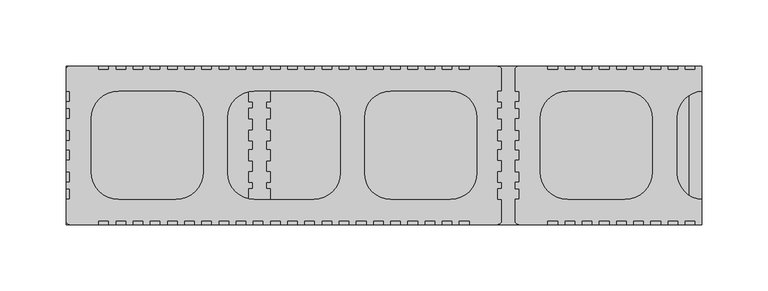
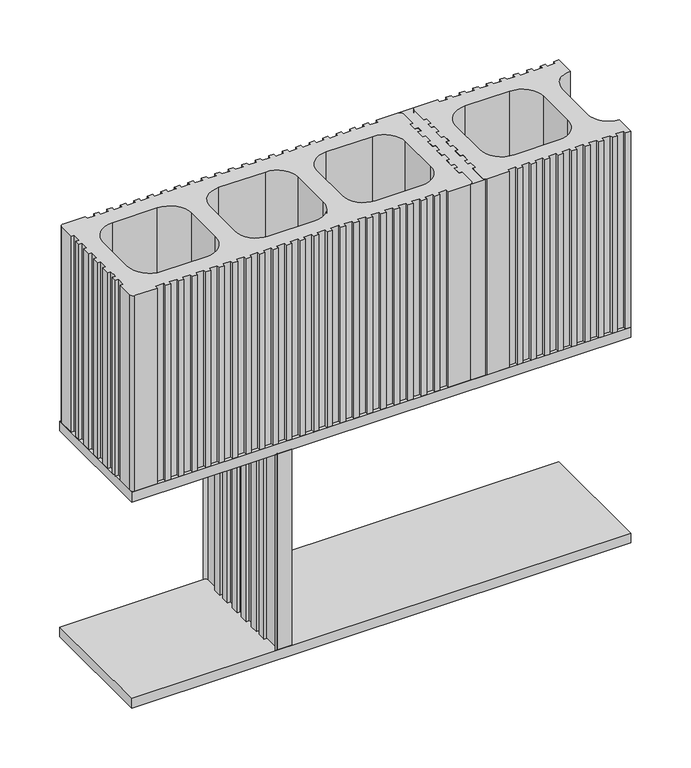
"""IFC4 building model written with IfcOpenShell, lengths in millimetres: plate geometry."""

from ifc_helpers import new_model, si_unit, point, frame, frame_2d, origin, place, context, project, spatial, polyline, circle_curve, trimmed, segment, composite_curve, outline, extrude, source, transform, mapped, element, save
from ifc_brep_helpers import plane_surface, revolved_surface, advanced_brep


def plate_32351cb7(model_context):
    return source(origin(), model_context, "Body", "SolidModel", [
        extrude(outline(composite_curve([segment(polyline([(114.5016312, 59.9999799), (114.5016312, 56.9999702), (122.5016565, 56.9999702), (122.5016565, 59.9999799), (127.5016753, 59.9999799), (127.5016753, 56.9999702), (135.5016988, 56.9999702), (135.5016988, 59.9999799), (140.5017176, 59.9999799), (140.5017176, 56.9999702), (148.5017411, 56.9999702), (148.5017411, 59.9999799), (153.5017599, 59.9999799), (153.5017599, 56.9999702), (161.5017871, 56.9999702), (161.5017871, 59.9999799), (166.5017985, 59.9999799), (166.5017985, 56.9999702), (174.5018256, 56.9999702), (174.5018256, 59.9999799), (179.5018445, 59.9999799), (179.5018445, 56.9999702), (187.5018642, 56.9999702), (187.5018642, 59.9999799), (192.5018831, 59.9999799), (192.5018831, 56.9999702), (200.5019102, 56.9999702), (200.5019102, 59.9999799), (205.5019291, 59.9999799), (205.5019291, 56.9999702), (213.5019488, 56.9999702), (213.5019488, 59.9999799), (218.5019676, 59.9999799), (218.5019676, 56.9999702), (226.5019948, 56.9999702), (226.5019948, 59.9999799), (231.5020062, 59.9999799), (231.5020062, 40.9749658)]), True, "CONTINUOUS"), segment(trimmed(circle_curve(frame_2d((232.5019775, 20.9999152)), 20.0000648), [point((231.5020062, 40.9749658))], [point((212.5019127, 20.9999152))], True, "CARTESIAN"), True, "CONTINUOUS"), segment(polyline([(212.5019127, 20.9999152), (212.5019127, -21.0003405)]), True, "CONTINUOUS"), segment(trimmed(circle_curve(frame_2d((232.5019775, -21.0003405)), 20.0000648), [point((212.5019127, -21.0003405))], [point((231.5020062, -40.9753911))], True, "CARTESIAN"), True, "CONTINUOUS"), segment(polyline([(231.5020062, -40.9753911), (231.5020062, -60.0004053), (226.5019948, -60.0004053), (226.5019948, -57.0003955), (218.5019677, -57.0003955), (218.5019677, -60.0004053), (213.5019488, -60.0004053), (213.5019488, -57.0003955), (205.5019291, -57.0003955), (205.5019291, -60.0004053), (200.5019103, -60.0004053), (200.5019103, -57.0003955), (192.5018831, -57.0003955), (192.5018831, -60.0004053), (187.5018642, -60.0004053), (187.5018642, -57.0003955), (179.5018445, -57.0003955), (179.5018445, -60.0004053), (174.5018257, -60.0004053), (174.5018257, -57.0003955), (166.5017985, -57.0003955), (166.5017985, -60.0004053), (161.5017871, -60.0004053), (161.5017871, -57.0003955), (153.5017599, -57.0003955), (153.5017599, -60.0004053), (148.5017411, -60.0004053), (148.5017411, -57.0003955), (140.5017177, -57.0003955), (140.5017177, -60.0004053), (135.5016988, -60.0004053), (135.5016988, -57.0003955), (127.5016754, -57.0003955), (127.5016754, -60.0004053), (122.5016565, -60.0004053), (122.5016565, -57.0003955), (114.5016312, -57.0003955), (114.5016312, -60.0004053), (93.0015578, -60.0004053)]), True, "CONTINUOUS"), segment(trimmed(circle_curve(frame_2d((93.0015578, -57.0004001)), 3.0000051), [point((93.0015578, -60.0004053))], [point((90.0015527, -57.0004001))], False, "CARTESIAN"), True, "CONTINUOUS"), segment(polyline([(90.0015527, -57.0004001), (90.0015527, -41.00035), (93.0015624, -41.00035), (93.0015624, -33.0003229), (90.0015527, -33.0003229), (90.0015527, -28.000304), (93.0015624, -28.000304), (93.0015624, -20.0002769), (90.0015527, -20.0002769), (90.0015527, -11.5002545), (93.0015624, -11.5002545), (93.0015624, -3.5002273), (90.0015527, -3.5002273), (90.0015527, 3.4997983), (93.0015624, 3.4997983), (93.0015624, 11.4998217), (90.0015527, 11.4998217), (90.0015527, 19.9998515), (93.0015624, 19.9998515), (93.0015624, 27.999875), (90.0015527, 27.999875), (90.0015527, 32.999892), (93.0015624, 32.999892), (93.0015624, 40.9999191), (90.0015527, 40.9999191), (90.0015527, 56.9999702)]), True, "CONTINUOUS"), segment(trimmed(circle_curve(frame_2d((93.0015624, 56.9999702)), 3.0000097), [point((90.0015527, 56.9999702))], [point((93.0015624, 59.9999799))], False, "CARTESIAN"), True, "CONTINUOUS"), segment(polyline([(93.0015624, 59.9999799), (114.5016312, 59.9999799)]), True, "CONTINUOUS")], self_intersect=False), holes=[composite_curve([segment(polyline([(109.0015527, 19.9999799), (109.0015527, -20.0004053)]), True, "CONTINUOUS"), segment(trimmed(circle_curve(frame_2d((130.0015527, -20.0004053)), 21.0), [point((109.0015527, -20.0004053))], [point((130.0015527, -41.0004053))], True, "CARTESIAN"), True, "CONTINUOUS"), segment(polyline([(130.0015527, -41.0004053), (173.0019047, -41.0004053)]), True, "CONTINUOUS"), segment(trimmed(circle_curve(frame_2d((173.0019047, -20.0004053)), 21.0), [point((173.0019047, -41.0004053))], [point((194.0019047, -20.0004053))], True, "CARTESIAN"), True, "CONTINUOUS"), segment(polyline([(194.0019047, -20.0004053), (194.0019047, 19.9999799)]), True, "CONTINUOUS"), segment(trimmed(circle_curve(frame_2d((173.0019047, 19.9999799)), 21.0), [point((194.0019047, 19.9999799))], [point((173.0019047, 40.9999799))], True, "CARTESIAN"), True, "CONTINUOUS"), segment(polyline([(173.0019047, 40.9999799), (130.0015527, 40.9999799)]), True, "CONTINUOUS"), segment(trimmed(circle_curve(frame_2d((130.0015527, 19.9999799)), 21.0), [point((130.0015527, 40.9999799))], [point((109.0015527, 19.9999799))], True, "CARTESIAN"), True, "CONTINUOUS")], self_intersect=False)]), frame((0.0, 0.0, 210.0), z_axis=(0.0, 0.0, 1.0), x_axis=(1.0, 0.0, 0.0)), (0.0, 0.0, 1.0), 200.0),
        extrude(outline(polyline([(231.5009276, 59.9998788), (231.5009276, -59.9998815), (-249.9995197, -59.9998815), (-249.9995197, 59.9998788), (231.5009276, 59.9998788)])), frame((0.0, 0.0, -10.0), z_axis=(0.0, 0.0, 1.0), x_axis=(1.0, 0.0, 0.0)), (0.0, 0.0, 1.0), 10.0),
        advanced_brep(
        [(-108.5000292, 40.9999178, 200.0), (-111.5000441, 40.9999178, 200.0), (-111.5000441, 32.9999326, 200.0), (-108.5000292, 32.9999326, 200.0), (-108.5000292, 27.9999419, 200.0), (-111.5000441, 27.9999419, 200.0), (-111.5000441, 19.9999605, 200.0), (-108.499908, 19.9999605, 200.0), (-108.499908, 11.5003508, 200.0), (-111.4999177, 11.5003508, 200.0), (-111.4999177, 3.5003274, 200.0), (-108.499908, 3.5003274, 200.0), (-108.499908, -3.4996982, 200.0), (-111.4999177, -3.4996982, 200.0), (-111.4999177, -11.4997254, 200.0), (-108.499908, -11.4997254, 200.0), (-108.499908, -19.9999578, 200.0), (-111.5000441, -19.9999578, 200.0), (-111.5000441, -27.999943, 200.0), (-108.5000292, -27.999943, 200.0), (-108.5000292, -32.9999355, 200.0), (-111.5000441, -32.9999355, 200.0), (-111.5000441, -40.9999207, 200.0), (-108.5000292, -40.9999207, 200.0), (-108.5000292, -56.9998835, 200.0), (-111.5000441, -59.9998761, 200.0), (-95.5000143, -59.9998761, 200.0), (-98.5000292, -56.9998835, 200.0), (-98.5000292, -40.9999207, 200.0), (-95.5000143, -40.9999207, 200.0), (-95.5000143, -32.9999355, 200.0), (-98.5000292, -32.9999355, 200.0), (-98.5000292, -27.999943, 200.0), (-95.5000143, -27.999943, 200.0), (-95.5000143, -19.9999578, 200.0), (-98.5001448, -19.9999578, 200.0), (-98.5001448, -11.4997254, 200.0), (-95.5001351, -11.4997254, 200.0), (-95.5001351, -3.4996982, 200.0), (-98.5001448, -3.4996982, 200.0), (-98.5001448, 3.5003274, 200.0), (-95.5001351, 3.5003274, 200.0), (-95.5001351, 11.5003509, 200.0), (-98.5001448, 11.5003509, 200.0), (-98.5001448, 19.9999605, 200.0), (-95.5000143, 19.9999605, 200.0), (-95.5000143, 28.0000895, 200.0), (-98.5000292, 28.0000895, 200.0), (-98.5000292, 32.9999326, 200.0), (-95.5000143, 32.9999326, 200.0), (-95.5000143, 40.9999178, 200.0), (-98.5000292, 40.9999178, 200.0), (-98.5000292, 56.9998835, 200.0), (-95.5001414, 59.9998788, 200.0), (-111.499917, 59.9998788, 200.0), (-108.5000292, 56.9998835, 200.0), (-108.5000292, 40.9999178, 0.0), (-108.5000292, 56.9998835, 0.0), (-111.499917, 59.9998788, 0.0), (-95.5001414, 59.9998788, 0.0), (-98.5000292, 56.9998835, 0.0), (-98.5000292, 40.9999178, 0.0), (-95.5000143, 40.9999178, 0.0), (-95.5000143, 32.9999326, 0.0), (-98.5000292, 32.9999326, 0.0), (-98.5000292, 28.0000895, 0.0), (-95.5000143, 28.0000895, 0.0), (-95.5000143, 19.9999605, 0.0), (-98.5001448, 19.9999605, 0.0), (-98.5001448, 11.5003509, 0.0), (-95.5001351, 11.5003509, 0.0), (-95.5001351, 3.5003274, 0.0), (-98.5001448, 3.5003274, 0.0), (-98.5001448, -3.4996982, 0.0), (-95.5001351, -3.4996982, 0.0), (-95.5001351, -11.4997254, 0.0), (-98.5001448, -11.4997254, 0.0), (-98.5001448, -19.9999578, 0.0), (-95.5000143, -19.9999578, 0.0), (-95.5000143, -27.999943, 0.0), (-98.5000292, -27.999943, 0.0), (-98.5000292, -32.9999355, 0.0), (-95.5000143, -32.9999355, 0.0), (-95.5000143, -40.9999207, 0.0), (-98.5000292, -40.9999207, 0.0), (-98.5000292, -56.9998835, 0.0), (-95.5000143, -59.9998761, 0.0), (-111.5000441, -59.9998761, 0.0), (-108.5000292, -56.9998835, 0.0), (-108.5000292, -40.9999207, 0.0), (-111.5000441, -40.9999207, 0.0), (-111.5000441, -32.9999355, 0.0), (-108.5000292, -32.9999355, 0.0), (-108.5000292, -27.999943, 0.0), (-111.5000441, -27.999943, 0.0), (-111.5000441, -19.9999578, 0.0), (-108.499908, -19.9999578, 0.0), (-108.499908, -11.4997254, 0.0), (-111.4999177, -11.4997254, 0.0), (-111.4999177, -3.4996982, 0.0), (-108.499908, -3.4996982, 0.0), (-108.499908, 3.5003274, 0.0), (-111.4999177, 3.5003274, 0.0), (-111.4999177, 11.5003508, 0.0), (-108.499908, 11.5003508, 0.0), (-108.499908, 19.9999605, 0.0), (-111.5000441, 19.9999605, 0.0), (-111.5000441, 27.9999419, 0.0), (-108.5000292, 27.9999419, 0.0), (-108.5000292, 32.9999326, 0.0), (-111.5000441, 32.9999326, 0.0), (-111.5000441, 40.9999178, 0.0)],
        [
            (0, 1),
            (1, 2),
            (2, 3),
            (3, 4),
            (4, 5),
            (5, 6),
            (6, 7),
            (7, 8),
            (8, 9),
            (9, 10),
            (10, 11),
            (11, 12),
            (12, 13),
            (13, 14),
            (14, 15),
            (15, 16),
            (16, 17),
            (17, 18),
            (18, 19),
            (19, 20),
            (20, 21),
            (21, 22),
            (22, 23),
            (23, 24),
            (24, 25, circle_curve(frame((-111.437997, -57.0619088, 200.0), z_axis=(0.0, 0.0, -1.0), x_axis=(1.0, 0.0, 0.0)), 2.9386225)),
            (25, 26),
            (26, 27, circle_curve(frame((-95.5620614, -57.0619088, 200.0), z_axis=(0.0, 0.0, -1.0), x_axis=(1.0, 0.0, 0.0)), 2.9386225)),
            (27, 28),
            (28, 29),
            (29, 30),
            (30, 31),
            (31, 32),
            (32, 33),
            (33, 34),
            (34, 35),
            (35, 36),
            (36, 37),
            (37, 38),
            (38, 39),
            (39, 40),
            (40, 41),
            (41, 42),
            (42, 43),
            (43, 44),
            (44, 45),
            (45, 46),
            (46, 47),
            (47, 48),
            (48, 49),
            (49, 50),
            (50, 51),
            (51, 52),
            (52, 53, circle_curve(frame((-95.5620614, 57.0619088, 200.0), z_axis=(0.0, 0.0, -1.0), x_axis=(1.0, 0.0, 0.0)), 2.9386225)),
            (53, 54),
            (54, 55, circle_curve(frame((-111.437997, 57.0619088, 200.0), z_axis=(0.0, 0.0, -1.0), x_axis=(1.0, 0.0, 0.0)), 2.9386225)),
            (55, 0),
            (56, 57),
            (57, 58, circle_curve(frame((-111.437997, 57.0619088, 0.0), z_axis=(0.0, 0.0, 1.0), x_axis=(1.0, 0.0, 0.0)), 2.9386225)),
            (58, 59),
            (59, 60, circle_curve(frame((-95.5620614, 57.0619088, 0.0), z_axis=(0.0, 0.0, 1.0), x_axis=(1.0, 0.0, 0.0)), 2.9386225)),
            (60, 61),
            (61, 62),
            (62, 63),
            (63, 64),
            (64, 65),
            (65, 66),
            (66, 67),
            (67, 68),
            (68, 69),
            (69, 70),
            (70, 71),
            (71, 72),
            (72, 73),
            (73, 74),
            (74, 75),
            (75, 76),
            (76, 77),
            (77, 78),
            (78, 79),
            (79, 80),
            (80, 81),
            (81, 82),
            (82, 83),
            (83, 84),
            (84, 85),
            (85, 86, circle_curve(frame((-95.5620614, -57.0619088, 0.0), z_axis=(0.0, 0.0, 1.0), x_axis=(1.0, 0.0, 0.0)), 2.9386225)),
            (86, 87),
            (87, 88, circle_curve(frame((-111.437997, -57.0619088, 0.0), z_axis=(0.0, 0.0, 1.0), x_axis=(1.0, 0.0, 0.0)), 2.9386225)),
            (88, 89),
            (89, 90),
            (90, 91),
            (91, 92),
            (92, 93),
            (93, 94),
            (94, 95),
            (95, 96),
            (96, 97),
            (97, 98),
            (98, 99),
            (99, 100),
            (100, 101),
            (101, 102),
            (102, 103),
            (103, 104),
            (104, 105),
            (105, 106),
            (106, 107),
            (107, 108),
            (108, 109),
            (109, 110),
            (110, 111),
            (111, 56),
            (55, 57),
            (56, 0),
            (54, 58),
            (53, 59),
            (52, 60),
            (51, 61),
            (27, 85),
            (84, 28),
            (26, 86),
            (25, 87),
            (24, 88),
            (23, 89),
            (50, 62),
            (49, 63),
            (48, 64),
            (47, 65),
            (46, 66),
            (45, 67),
            (44, 68),
            (34, 78),
            (77, 35),
            (33, 79),
            (32, 80),
            (31, 81),
            (30, 82),
            (29, 83),
            (22, 90),
            (21, 91),
            (20, 92),
            (19, 93),
            (18, 94),
            (17, 95),
            (16, 96),
            (6, 106),
            (105, 7),
            (5, 107),
            (4, 108),
            (3, 109),
            (2, 110),
            (1, 111),
            (43, 69),
            (42, 70),
            (41, 71),
            (40, 72),
            (39, 73),
            (38, 74),
            (37, 75),
            (36, 76),
            (15, 97),
            (14, 98),
            (13, 99),
            (12, 100),
            (11, 101),
            (10, 102),
            (9, 103),
            (8, 104),
        ],
        [
            plane_surface(frame((-108.5000292, 56.9998835, 200.0), z_axis=(0.0, 0.0, 1.0), x_axis=(0.0, 1.0, 0.0))),
            plane_surface(frame((-108.5000292, 56.9998835, 0.0), z_axis=(0.0, 0.0, -1.0), x_axis=(0.0, -1.0, 0.0))),
            plane_surface(frame((-108.5000292, 40.9999178, 200.0), z_axis=(-1.0, 0.0, 0.0), x_axis=(0.0, 0.0, -1.0))),
            revolved_surface(polyline([(-108.4993745, 57.0619088, 0.0), (-108.4993745, 57.0619088, 200.0)]), (-111.437997, 57.0619088, 0.0), (0.0, 0.0, -1.0)),
            plane_surface(frame((-111.499917, 59.9998788, 200.0), z_axis=(0.0, 1.0, 0.0), x_axis=(0.0, 0.0, -1.0))),
            revolved_surface(polyline([(-92.62343890000001, 57.0619088, 0.0), (-92.62343890000001, 57.0619088, 200.0)]), (-95.5620614, 57.0619088, 0.0), (0.0, 0.0, -1.0)),
            plane_surface(frame((-98.5000292, 56.9998835, 200.0), z_axis=(1.0, 0.0, 0.0), x_axis=(0.0, 0.0, -1.0))),
            plane_surface(frame((-98.5000292, -40.9999207, 200.0), z_axis=(1.0, 6.314272111635997e-12, 0.0), x_axis=(0.0, 0.0, -1.0))),
            revolved_surface(polyline([(-92.62343890000001, -57.0619088, 0.0), (-92.62343890000001, -57.0619088, 200.0)]), (-95.5620614, -57.0619088, 0.0), (0.0, 0.0, -1.0)),
            plane_surface(frame((-95.5000143, -59.9998761, 200.0), z_axis=(0.0, -1.0, 0.0), x_axis=(0.0, 0.0, -1.0))),
            revolved_surface(polyline([(-108.4993745, -57.0619088, 0.0), (-108.4993745, -57.0619088, 200.0)]), (-111.437997, -57.0619088, 0.0), (0.0, 0.0, -1.0)),
            plane_surface(frame((-108.5000292, -56.9998835, 200.0), z_axis=(-1.0, 0.0, 0.0), x_axis=(0.0, 0.0, -1.0))),
            plane_surface(frame((-98.5000292, 40.9999178, 200.0), z_axis=(0.0, 1.0, 0.0), x_axis=(0.0, 0.0, -1.0))),
            plane_surface(frame((-95.5000143, 40.9999178, 200.0), z_axis=(1.0, 0.0, 0.0), x_axis=(0.0, 0.0, -1.0))),
            plane_surface(frame((-95.5000143, 32.9999326, 200.0), z_axis=(0.0, -1.0, 0.0), x_axis=(0.0, 0.0, -1.0))),
            plane_surface(frame((-98.5000292, 32.9999326, 200.0), z_axis=(1.0, 0.0, 0.0), x_axis=(0.0, 0.0, -1.0))),
            plane_surface(frame((-98.5000292, 28.0000895, 200.0), z_axis=(0.0, 1.0, 0.0), x_axis=(0.0, 0.0, -1.0))),
            plane_surface(frame((-95.5000143, 28.0000895, 200.0), z_axis=(1.0, 0.0, 0.0), x_axis=(0.0, 0.0, -1.0))),
            plane_surface(frame((-95.5000143, 19.9999605, 200.0), z_axis=(0.0, -1.0, 0.0), x_axis=(0.0, 0.0, -1.0))),
            plane_surface(frame((-98.5001448, -19.9999578, 200.0), z_axis=(0.0, 1.0, 0.0), x_axis=(0.0, 0.0, -1.0))),
            plane_surface(frame((-95.5000143, -19.9999578, 200.0), z_axis=(1.0, 0.0, 0.0), x_axis=(0.0, 0.0, -1.0))),
            plane_surface(frame((-95.5000143, -27.999943, 200.0), z_axis=(0.0, -1.0, 0.0), x_axis=(0.0, 0.0, -1.0))),
            plane_surface(frame((-98.5000292, -27.999943, 200.0), z_axis=(1.0, 0.0, 0.0), x_axis=(0.0, 0.0, -1.0))),
            plane_surface(frame((-98.5000292, -32.9999355, 200.0), z_axis=(0.0, 1.0, 0.0), x_axis=(0.0, 0.0, -1.0))),
            plane_surface(frame((-95.5000143, -32.9999355, 200.0), z_axis=(1.0, 0.0, 0.0), x_axis=(0.0, 0.0, -1.0))),
            plane_surface(frame((-95.5000143, -40.9999207, 200.0), z_axis=(0.0, -1.0, 0.0), x_axis=(0.0, 0.0, -1.0))),
            plane_surface(frame((-108.5000292, -40.9999207, 200.0), z_axis=(0.0, -1.0, 0.0), x_axis=(0.0, 0.0, -1.0))),
            plane_surface(frame((-111.5000441, -40.9999207, 200.0), z_axis=(-1.0, 0.0, 0.0), x_axis=(0.0, 0.0, -1.0))),
            plane_surface(frame((-111.5000441, -32.9999355, 200.0), z_axis=(0.0, 1.0, 0.0), x_axis=(0.0, 0.0, -1.0))),
            plane_surface(frame((-108.5000292, -32.9999355, 200.0), z_axis=(-1.0, 0.0, 0.0), x_axis=(0.0, 0.0, -1.0))),
            plane_surface(frame((-108.5000292, -27.999943, 200.0), z_axis=(0.0, -1.0, 0.0), x_axis=(0.0, 0.0, -1.0))),
            plane_surface(frame((-111.5000441, -27.999943, 200.0), z_axis=(-1.0, 0.0, 0.0), x_axis=(0.0, 0.0, -1.0))),
            plane_surface(frame((-111.5000441, -19.9999578, 200.0), z_axis=(0.0, 1.0, 0.0), x_axis=(0.0, 0.0, -1.0))),
            plane_surface(frame((-108.499908, 19.9999605, 200.0), z_axis=(0.0, -1.0, 0.0), x_axis=(0.0, 0.0, -1.0))),
            plane_surface(frame((-111.5000441, 19.9999605, 200.0), z_axis=(-1.0, 0.0, 0.0), x_axis=(0.0, 0.0, -1.0))),
            plane_surface(frame((-111.5000441, 27.9999419, 200.0), z_axis=(0.0, 1.0, 0.0), x_axis=(0.0, 0.0, -1.0))),
            plane_surface(frame((-108.5000292, 27.9999419, 200.0), z_axis=(-1.0, 0.0, 0.0), x_axis=(0.0, 0.0, -1.0))),
            plane_surface(frame((-108.5000292, 32.9999326, 200.0), z_axis=(0.0, -1.0, 0.0), x_axis=(0.0, 0.0, -1.0))),
            plane_surface(frame((-111.5000441, 32.9999326, 200.0), z_axis=(-1.0, 0.0, 0.0), x_axis=(0.0, 0.0, -1.0))),
            plane_surface(frame((-111.5000441, 40.9999178, 200.0), z_axis=(0.0, 1.0, 0.0), x_axis=(0.0, 0.0, -1.0))),
            plane_surface(frame((-98.5001448, 19.9999605, 200.0), z_axis=(1.0, 0.0, 0.0), x_axis=(0.0, 0.0, -1.0))),
            plane_surface(frame((-98.5001448, 11.5003509, 200.0), z_axis=(0.0, 1.0, 0.0), x_axis=(0.0, 0.0, -1.0))),
            plane_surface(frame((-95.5001351, 11.5003509, 200.0), z_axis=(1.0, 0.0, 0.0), x_axis=(0.0, 0.0, -1.0))),
            plane_surface(frame((-95.5001351, 3.5003274, 200.0), z_axis=(0.0, -1.0, 0.0), x_axis=(0.0, 0.0, -1.0))),
            plane_surface(frame((-98.5001448, 3.5003274, 200.0), z_axis=(1.0, 0.0, 0.0), x_axis=(0.0, 0.0, -1.0))),
            plane_surface(frame((-98.5001448, -3.4996982, 200.0), z_axis=(0.0, 1.0, 0.0), x_axis=(0.0, 0.0, -1.0))),
            plane_surface(frame((-95.5001351, -3.4996982, 200.0), z_axis=(1.0, 0.0, 0.0), x_axis=(0.0, 0.0, -1.0))),
            plane_surface(frame((-95.5001351, -11.4997254, 200.0), z_axis=(0.0, -1.0, 0.0), x_axis=(0.0, 0.0, -1.0))),
            plane_surface(frame((-98.5001448, -11.4997254, 200.0), z_axis=(1.0, 0.0, 0.0), x_axis=(0.0, 0.0, -1.0))),
            plane_surface(frame((-108.499908, -19.9999578, 200.0), z_axis=(-1.0, 0.0, 0.0), x_axis=(0.0, 0.0, -1.0))),
            plane_surface(frame((-108.499908, -11.4997254, 200.0), z_axis=(0.0, -1.0, 0.0), x_axis=(0.0, 0.0, -1.0))),
            plane_surface(frame((-111.4999177, -11.4997254, 200.0), z_axis=(-1.0, 0.0, 0.0), x_axis=(0.0, 0.0, -1.0))),
            plane_surface(frame((-111.4999177, -3.4996982, 200.0), z_axis=(0.0, 1.0, 0.0), x_axis=(0.0, 0.0, -1.0))),
            plane_surface(frame((-108.499908, -3.4996982, 200.0), z_axis=(-1.0, 0.0, 0.0), x_axis=(0.0, 0.0, -1.0))),
            plane_surface(frame((-108.499908, 3.5003274, 200.0), z_axis=(0.0, -1.0, 0.0), x_axis=(0.0, 0.0, -1.0))),
            plane_surface(frame((-111.4999177, 3.5003274, 200.0), z_axis=(-1.0, 0.0, 0.0), x_axis=(0.0, 0.0, -1.0))),
            plane_surface(frame((-111.4999177, 11.5003508, 200.0), z_axis=(0.0, 1.0, 0.0), x_axis=(0.0, 0.0, -1.0))),
            plane_surface(frame((-108.499908, 11.5003508, 200.0), z_axis=(-1.0, 0.0, 0.0), x_axis=(0.0, 0.0, -1.0))),
        ],
        [
            (0, [[1, 2, 3, 4, 5, 6, 7, 8, 9, 10, 11, 12, 13, 14, 15, 16, 17, 18, 19, 20, 21, 22, 23, 24, 25, 26, 27, 28, 29, 30, 31, 32, 33, 34, 35, 36, 37, 38, 39, 40, 41, 42, 43, 44, 45, 46, 47, 48, 49, 50, 51, 52, 53, 54, 55, 56]]),
            (1, [[57, 58, 59, 60, 61, 62, 63, 64, 65, 66, 67, 68, 69, 70, 71, 72, 73, 74, 75, 76, 77, 78, 79, 80, 81, 82, 83, 84, 85, 86, 87, 88, 89, 90, 91, 92, 93, 94, 95, 96, 97, 98, 99, 100, 101, 102, 103, 104, 105, 106, 107, 108, 109, 110, 111, 112]]),
            (2, [[113, -57, 114, -56]]),
            (3, [[115, -58, -113, -55]]),
            (4, [[116, -59, -115, -54]]),
            (5, [[117, -60, -116, -53]]),
            (6, [[118, -61, -117, -52]]),
            (7, [[119, -85, 120, -28]]),
            (8, [[121, -86, -119, -27]]),
            (9, [[122, -87, -121, -26]]),
            (10, [[123, -88, -122, -25]]),
            (11, [[124, -89, -123, -24]]),
            (12, [[125, -62, -118, -51]]),
            (13, [[126, -63, -125, -50]]),
            (14, [[127, -64, -126, -49]]),
            (15, [[128, -65, -127, -48]]),
            (16, [[129, -66, -128, -47]]),
            (17, [[130, -67, -129, -46]]),
            (18, [[131, -68, -130, -45]]),
            (19, [[132, -78, 133, -35]]),
            (20, [[134, -79, -132, -34]]),
            (21, [[135, -80, -134, -33]]),
            (22, [[136, -81, -135, -32]]),
            (23, [[137, -82, -136, -31]]),
            (24, [[138, -83, -137, -30]]),
            (25, [[-120, -84, -138, -29]]),
            (26, [[139, -90, -124, -23]]),
            (27, [[140, -91, -139, -22]]),
            (28, [[141, -92, -140, -21]]),
            (29, [[142, -93, -141, -20]]),
            (30, [[143, -94, -142, -19]]),
            (31, [[144, -95, -143, -18]]),
            (32, [[145, -96, -144, -17]]),
            (33, [[146, -106, 147, -7]]),
            (34, [[148, -107, -146, -6]]),
            (35, [[149, -108, -148, -5]]),
            (36, [[150, -109, -149, -4]]),
            (37, [[151, -110, -150, -3]]),
            (38, [[152, -111, -151, -2]]),
            (39, [[-114, -112, -152, -1]]),
            (40, [[153, -69, -131, -44]]),
            (41, [[154, -70, -153, -43]]),
            (42, [[155, -71, -154, -42]]),
            (43, [[156, -72, -155, -41]]),
            (44, [[157, -73, -156, -40]]),
            (45, [[158, -74, -157, -39]]),
            (46, [[159, -75, -158, -38]]),
            (47, [[160, -76, -159, -37]]),
            (48, [[-133, -77, -160, -36]]),
            (49, [[161, -97, -145, -16]]),
            (50, [[162, -98, -161, -15]]),
            (51, [[163, -99, -162, -14]]),
            (52, [[164, -100, -163, -13]]),
            (53, [[165, -101, -164, -12]]),
            (54, [[166, -102, -165, -11]]),
            (55, [[167, -103, -166, -10]]),
            (56, [[168, -104, -167, -9]]),
            (57, [[-147, -105, -168, -8]]),
        ],
    ),
        extrude(outline(polyline([(-249.9995197, -59.9998801), (-249.9995197, 59.9998788), (231.5009276, 59.9998788), (231.5009276, -59.9998801), (-249.9995197, -59.9998801)]), holes=[polyline([(221.5009275, -44.9999121), (221.5009275, 44.9999108), (-239.9995197, 44.9999108), (-239.9995197, -44.9999121), (221.5009275, -44.9999121)])]), frame((0.0, 0.0, 200.0), z_axis=(0.0, 0.0, 1.0), x_axis=(1.0, 0.0, 0.0)), (0.0, 0.0, 1.0), 10.0),
        advanced_brep(
        [(89.9998399, 56.9998849, 410.0), (92.999792, 59.9998788, 410.0), (76.9998878, 59.9998788, 410.0), (79.9998399, 56.9998849, 410.0), (79.9998399, 40.9999191, 410.0), (76.999825, 40.9999191, 410.0), (76.999825, 32.999934, 410.0), (79.9998399, 32.999934, 410.0), (79.9998399, 27.9999433, 410.0), (76.999825, 27.9999433, 410.0), (76.999825, 19.9999618, 410.0), (80.0015527, 19.9999618, 410.0), (80.0015527, 11.4998217, 410.0), (77.0015429, 11.4998217, 410.0), (77.0015429, 3.4997983, 410.0), (80.0015527, 3.4997983, 410.0), (80.0015527, -3.5002273, 410.0), (77.0015429, -3.5002273, 410.0), (77.0015429, -11.5002545, 410.0), (80.0015527, -11.5002545, 410.0), (80.0015527, -19.9999565, 410.0), (76.999825, -19.9999565, 410.0), (76.999825, -27.9999416, 410.0), (79.9998399, -27.9999416, 410.0), (79.9998399, -32.9999342, 410.0), (76.999825, -32.9999342, 410.0), (76.999825, -40.9999193, 410.0), (79.9998399, -40.9999193, 410.0), (79.9998399, -56.9998821, 410.0), (77.0001493, -59.9998815, 410.0), (92.9995342, -59.9998815, 410.0), (89.9998399, -56.9998821, 410.0), (89.9998399, -40.9999193, 410.0), (92.9998548, -40.9999193, 410.0), (92.9998548, -32.9999342, 410.0), (89.9998399, -32.9999342, 410.0), (89.9998399, -27.9999416, 410.0), (92.9998548, -27.9999416, 410.0), (92.9998548, -19.9999565, 410.0), (89.9981271, -19.9999565, 410.0), (89.9981271, -11.5002545, 410.0), (92.9981368, -11.5002545, 410.0), (92.9981368, -3.5002273, 410.0), (89.9981271, -3.5002273, 410.0), (89.9981271, 3.4997983, 410.0), (92.9981368, 3.4997983, 410.0), (92.9981368, 11.4998217, 410.0), (89.9981271, 11.4998217, 410.0), (89.9981271, 19.9999618, 410.0), (92.9998548, 19.9999618, 410.0), (92.9998548, 27.9999433, 410.0), (89.9998399, 27.9999433, 410.0), (89.9998399, 32.999934, 410.0), (92.9998548, 32.999934, 410.0), (92.9998548, 40.9999191, 410.0), (89.9998399, 40.9999191, 410.0), (89.9998399, 56.9998849, 210.0), (89.9998399, 40.9999191, 210.0), (92.9998548, 40.9999191, 210.0), (92.9998548, 32.999934, 210.0), (89.9998399, 32.999934, 210.0), (89.9998399, 27.9999433, 210.0), (92.9998548, 27.9999433, 210.0), (92.9998548, 19.9999618, 210.0), (89.9981271, 19.9999618, 210.0), (89.9981271, 11.4998217, 210.0), (92.9981368, 11.4998217, 210.0), (92.9981368, 3.4997983, 210.0), (89.9981271, 3.4997983, 210.0), (89.9981271, -3.5002273, 210.0), (92.9981368, -3.5002273, 210.0), (92.9981368, -11.5002545, 210.0), (89.9981271, -11.5002545, 210.0), (89.9981271, -19.9999565, 210.0), (92.9998548, -19.9999565, 210.0), (92.9998548, -27.9999416, 210.0), (89.9998399, -27.9999416, 210.0), (89.9998399, -32.9999342, 210.0), (92.9998548, -32.9999342, 210.0), (92.9998548, -40.9999193, 210.0), (89.9998399, -40.9999193, 210.0), (89.9998399, -56.9998821, 210.0), (92.9995342, -59.9998815, 210.0), (77.0001493, -59.9998815, 210.0), (79.9998399, -56.9998821, 210.0), (79.9998399, -40.9999193, 210.0), (76.999825, -40.9999193, 210.0), (76.999825, -32.9999342, 210.0), (79.9998399, -32.9999342, 210.0), (79.9998399, -27.9999416, 210.0), (76.999825, -27.9999416, 210.0), (76.999825, -19.9999565, 210.0), (80.0015527, -19.9999565, 210.0), (80.0015527, -11.5002545, 210.0), (77.0015429, -11.5002545, 210.0), (77.0015429, -3.5002273, 210.0), (80.0015527, -3.5002273, 210.0), (80.0015527, 3.4997983, 210.0), (77.0015429, 3.4997983, 210.0), (77.0015429, 11.4998217, 210.0), (80.0015527, 11.4998217, 210.0), (80.0015527, 19.9999618, 210.0), (76.999825, 19.9999618, 210.0), (76.999825, 27.9999433, 210.0), (79.9998399, 27.9999433, 210.0), (79.9998399, 32.999934, 210.0), (76.999825, 32.999934, 210.0), (76.999825, 40.9999191, 210.0), (79.9998399, 40.9999191, 210.0), (79.9998399, 56.9998849, 210.0), (76.9998878, 59.9998788, 210.0), (92.999792, 59.9998788, 210.0)],
        [
            (0, 1, circle_curve(frame((92.9378077, 57.0619101, 410.0), z_axis=(0.0, 0.0, -1.0), x_axis=(0.0, -1.0, 0.0)), 2.9386225)),
            (1, 2),
            (2, 3, circle_curve(frame((77.0618721, 57.0619101, 410.0), z_axis=(0.0, 0.0, -1.0), x_axis=(0.0, -1.0, 0.0)), 2.9386225)),
            (3, 4),
            (4, 5),
            (5, 6),
            (6, 7),
            (7, 8),
            (8, 9),
            (9, 10),
            (10, 11),
            (11, 12),
            (12, 13),
            (13, 14),
            (14, 15),
            (15, 16),
            (16, 17),
            (17, 18),
            (18, 19),
            (19, 20),
            (20, 21),
            (21, 22),
            (22, 23),
            (23, 24),
            (24, 25),
            (25, 26),
            (26, 27),
            (27, 28),
            (28, 29, circle_curve(frame((77.0618721, -57.0619073, 410.0), z_axis=(0.0, 0.0, -1.0), x_axis=(0.0, -1.0, 0.0)), 2.9386225)),
            (29, 30),
            (30, 31, circle_curve(frame((92.9378077, -57.0619074, 410.0), z_axis=(0.0, 0.0, -1.0), x_axis=(0.0, -1.0, 0.0)), 2.9386225)),
            (31, 32),
            (32, 33),
            (33, 34),
            (34, 35),
            (35, 36),
            (36, 37),
            (37, 38),
            (38, 39),
            (39, 40),
            (40, 41),
            (41, 42),
            (42, 43),
            (43, 44),
            (44, 45),
            (45, 46),
            (46, 47),
            (47, 48),
            (48, 49),
            (49, 50),
            (50, 51),
            (51, 52),
            (52, 53),
            (53, 54),
            (54, 55),
            (55, 0),
            (56, 57),
            (57, 58),
            (58, 59),
            (59, 60),
            (60, 61),
            (61, 62),
            (62, 63),
            (63, 64),
            (64, 65),
            (65, 66),
            (66, 67),
            (67, 68),
            (68, 69),
            (69, 70),
            (70, 71),
            (71, 72),
            (72, 73),
            (73, 74),
            (74, 75),
            (75, 76),
            (76, 77),
            (77, 78),
            (78, 79),
            (79, 80),
            (80, 81),
            (81, 82, circle_curve(frame((92.9378077, -57.0619074, 210.0), z_axis=(0.0, 0.0, 1.0), x_axis=(0.0, -1.0, 0.0)), 2.9386225)),
            (82, 83),
            (83, 84, circle_curve(frame((77.0618721, -57.0619073, 210.0), z_axis=(0.0, 0.0, 1.0), x_axis=(0.0, -1.0, 0.0)), 2.9386225)),
            (84, 85),
            (85, 86),
            (86, 87),
            (87, 88),
            (88, 89),
            (89, 90),
            (90, 91),
            (91, 92),
            (92, 93),
            (93, 94),
            (94, 95),
            (95, 96),
            (96, 97),
            (97, 98),
            (98, 99),
            (99, 100),
            (100, 101),
            (101, 102),
            (102, 103),
            (103, 104),
            (104, 105),
            (105, 106),
            (106, 107),
            (107, 108),
            (108, 109),
            (109, 110, circle_curve(frame((77.0618721, 57.0619101, 210.0), z_axis=(0.0, 0.0, 1.0), x_axis=(0.0, -1.0, 0.0)), 2.9386225)),
            (110, 111),
            (111, 56, circle_curve(frame((92.9378077, 57.0619101, 210.0), z_axis=(0.0, 0.0, 1.0), x_axis=(0.0, -1.0, 0.0)), 2.9386225)),
            (55, 57),
            (56, 0),
            (29, 83),
            (82, 30),
            (27, 85),
            (84, 28),
            (3, 109),
            (108, 4),
            (1, 111),
            (110, 2),
            (81, 31),
            (26, 86),
            (25, 87),
            (24, 88),
            (23, 89),
            (22, 90),
            (21, 91),
            (20, 92),
            (10, 102),
            (101, 11),
            (9, 103),
            (8, 104),
            (7, 105),
            (6, 106),
            (5, 107),
            (19, 93),
            (18, 94),
            (17, 95),
            (16, 96),
            (15, 97),
            (14, 98),
            (13, 99),
            (12, 100),
            (54, 58),
            (53, 59),
            (52, 60),
            (51, 61),
            (50, 62),
            (49, 63),
            (48, 64),
            (47, 65),
            (46, 66),
            (45, 67),
            (44, 68),
            (43, 69),
            (42, 70),
            (41, 71),
            (40, 72),
            (39, 73),
            (38, 74),
            (37, 75),
            (36, 76),
            (35, 77),
            (34, 78),
            (33, 79),
            (32, 80),
        ],
        [
            plane_surface(frame((89.9998399, 40.9999191, 410.0), z_axis=(0.0, 0.0, 1.0), x_axis=(0.0, -1.0, 0.0))),
            plane_surface(frame((89.9998399, 40.9999191, 210.0), z_axis=(0.0, 0.0, -1.0), x_axis=(0.0, 1.0, 0.0))),
            plane_surface(frame((89.9998399, 56.9998849, 410.0), z_axis=(1.0, 0.0, 0.0), x_axis=(0.0, 0.0, -1.0))),
            plane_surface(frame((92.9995342, -59.9998815, 410.0), z_axis=(0.0, -1.0, 0.0), x_axis=(0.0, 0.0, -1.0))),
            plane_surface(frame((79.9998399, -56.9998821, 410.0), z_axis=(-1.0, 0.0, 0.0), x_axis=(0.0, 0.0, -1.0))),
            plane_surface(frame((79.9998399, 40.9999191, 410.0), z_axis=(-1.0, 0.0, 0.0), x_axis=(0.0, 0.0, -1.0))),
            plane_surface(frame((76.9998878, 59.9998788, 410.0), z_axis=(0.0, 1.0, 0.0), x_axis=(0.0, 0.0, -1.0))),
            revolved_surface(polyline([(92.9378077, -60.000529900000004, 210.0), (92.9378077, -60.000529900000004, 410.0)]), (92.9378077, -57.0619074, 210.0), (0.0, 0.0, -1.0)),
            revolved_surface(polyline([(77.0618721, -60.0005298, 210.0), (77.0618721, -60.0005298, 410.0)]), (77.0618721, -57.0619073, 210.0), (0.0, 0.0, -1.0)),
            revolved_surface(polyline([(77.0618721, 54.1232876, 210.0), (77.0618721, 54.1232876, 410.0)]), (77.0618721, 57.0619101, 210.0), (0.0, 0.0, -1.0)),
            revolved_surface(polyline([(92.9378077, 54.1232876, 210.0), (92.9378077, 54.1232876, 410.0)]), (92.9378077, 57.0619101, 210.0), (0.0, 0.0, -1.0)),
            plane_surface(frame((79.9998399, -40.9999193, 410.0), z_axis=(0.0, -1.0, 0.0), x_axis=(0.0, 0.0, -1.0))),
            plane_surface(frame((76.999825, -40.9999193, 410.0), z_axis=(-1.0, 0.0, 0.0), x_axis=(0.0, 0.0, -1.0))),
            plane_surface(frame((76.999825, -32.9999342, 410.0), z_axis=(0.0, 1.0, 0.0), x_axis=(0.0, 0.0, -1.0))),
            plane_surface(frame((79.9998399, -32.9999342, 410.0), z_axis=(-1.0, 0.0, 0.0), x_axis=(0.0, 0.0, -1.0))),
            plane_surface(frame((79.9998399, -27.9999416, 410.0), z_axis=(0.0, -1.0, 0.0), x_axis=(0.0, 0.0, -1.0))),
            plane_surface(frame((76.999825, -27.9999416, 410.0), z_axis=(-1.0, 0.0, 0.0), x_axis=(0.0, 0.0, -1.0))),
            plane_surface(frame((76.999825, -19.9999565, 410.0), z_axis=(0.0, 1.0, 0.0), x_axis=(0.0, 0.0, -1.0))),
            plane_surface(frame((80.0015527, 19.9999618, 410.0), z_axis=(0.0, -1.0, 0.0), x_axis=(0.0, 0.0, -1.0))),
            plane_surface(frame((76.999825, 19.9999618, 410.0), z_axis=(-1.0, 0.0, 0.0), x_axis=(0.0, 0.0, -1.0))),
            plane_surface(frame((76.999825, 27.9999433, 410.0), z_axis=(0.0, 1.0, 0.0), x_axis=(0.0, 0.0, -1.0))),
            plane_surface(frame((79.9998399, 27.9999433, 410.0), z_axis=(-1.0, 0.0, 0.0), x_axis=(0.0, 0.0, -1.0))),
            plane_surface(frame((79.9998399, 32.999934, 410.0), z_axis=(0.0, -1.0, 0.0), x_axis=(0.0, 0.0, -1.0))),
            plane_surface(frame((76.999825, 32.999934, 410.0), z_axis=(-1.0, 0.0, 0.0), x_axis=(0.0, 0.0, -1.0))),
            plane_surface(frame((76.999825, 40.9999191, 410.0), z_axis=(0.0, 1.0, 0.0), x_axis=(0.0, 0.0, -1.0))),
            plane_surface(frame((80.0015527, -19.9999565, 410.0), z_axis=(-1.0, 0.0, 0.0), x_axis=(0.0, 0.0, -1.0))),
            plane_surface(frame((80.0015527, -11.5002545, 410.0), z_axis=(0.0, -1.0, 0.0), x_axis=(0.0, 0.0, -1.0))),
            plane_surface(frame((77.0015429, -11.5002545, 410.0), z_axis=(-1.0, 0.0, 0.0), x_axis=(0.0, 0.0, -1.0))),
            plane_surface(frame((77.0015429, -3.5002273, 410.0), z_axis=(0.0, 1.0, 0.0), x_axis=(0.0, 0.0, -1.0))),
            plane_surface(frame((80.0015527, -3.5002273, 410.0), z_axis=(-1.0, 0.0, 0.0), x_axis=(0.0, 0.0, -1.0))),
            plane_surface(frame((80.0015527, 3.4997983, 410.0), z_axis=(0.0, -1.0, 0.0), x_axis=(0.0, 0.0, -1.0))),
            plane_surface(frame((77.0015429, 3.4997983, 410.0), z_axis=(-1.0, 0.0, 0.0), x_axis=(0.0, 0.0, -1.0))),
            plane_surface(frame((77.0015429, 11.4998217, 410.0), z_axis=(0.0, 1.0, 0.0), x_axis=(0.0, 0.0, -1.0))),
            plane_surface(frame((80.0015527, 11.4998217, 410.0), z_axis=(-1.0, 0.0, 0.0), x_axis=(0.0, 0.0, -1.0))),
            plane_surface(frame((89.9998399, 40.9999191, 410.0), z_axis=(0.0, 1.0, 0.0), x_axis=(0.0, 0.0, -1.0))),
            plane_surface(frame((92.9998548, 40.9999191, 410.0), z_axis=(1.0, 0.0, 0.0), x_axis=(0.0, 0.0, -1.0))),
            plane_surface(frame((92.9998548, 32.999934, 410.0), z_axis=(0.0, -1.0, 0.0), x_axis=(0.0, 0.0, -1.0))),
            plane_surface(frame((89.9998399, 32.999934, 410.0), z_axis=(1.0, 0.0, 0.0), x_axis=(0.0, 0.0, -1.0))),
            plane_surface(frame((89.9998399, 27.9999433, 410.0), z_axis=(0.0, 1.0, 0.0), x_axis=(0.0, 0.0, -1.0))),
            plane_surface(frame((92.9998548, 27.9999433, 410.0), z_axis=(1.0, 0.0, 0.0), x_axis=(0.0, 0.0, -1.0))),
            plane_surface(frame((92.9998548, 19.9999618, 410.0), z_axis=(0.0, -1.0, 0.0), x_axis=(0.0, 0.0, -1.0))),
            plane_surface(frame((89.9981271, 19.9999618, 410.0), z_axis=(1.0, 0.0, 0.0), x_axis=(0.0, 0.0, -1.0))),
            plane_surface(frame((89.9981271, 11.4998217, 410.0), z_axis=(0.0, 1.0, 0.0), x_axis=(0.0, 0.0, -1.0))),
            plane_surface(frame((92.9981368, 11.4998217, 410.0), z_axis=(1.0, 0.0, 0.0), x_axis=(0.0, 0.0, -1.0))),
            plane_surface(frame((92.9981368, 3.4997983, 410.0), z_axis=(0.0, -1.0, 0.0), x_axis=(0.0, 0.0, -1.0))),
            plane_surface(frame((89.9981271, 3.4997983, 410.0), z_axis=(1.0, 0.0, 0.0), x_axis=(0.0, 0.0, -1.0))),
            plane_surface(frame((89.9981271, -3.5002273, 410.0), z_axis=(0.0, 1.0, 0.0), x_axis=(0.0, 0.0, -1.0))),
            plane_surface(frame((92.9981368, -3.5002273, 410.0), z_axis=(1.0, 0.0, 0.0), x_axis=(0.0, 0.0, -1.0))),
            plane_surface(frame((92.9981368, -11.5002545, 410.0), z_axis=(0.0, -1.0, 0.0), x_axis=(0.0, 0.0, -1.0))),
            plane_surface(frame((89.9981271, -11.5002545, 410.0), z_axis=(1.0, 0.0, 0.0), x_axis=(0.0, 0.0, -1.0))),
            plane_surface(frame((89.9981271, -19.9999565, 410.0), z_axis=(0.0, 1.0, 0.0), x_axis=(0.0, 0.0, -1.0))),
            plane_surface(frame((92.9998548, -19.9999565, 410.0), z_axis=(1.0, 0.0, 0.0), x_axis=(0.0, 0.0, -1.0))),
            plane_surface(frame((92.9998548, -27.9999416, 410.0), z_axis=(0.0, -1.0, 0.0), x_axis=(0.0, 0.0, -1.0))),
            plane_surface(frame((89.9998399, -27.9999416, 410.0), z_axis=(1.0, 0.0, 0.0), x_axis=(0.0, 0.0, -1.0))),
            plane_surface(frame((89.9998399, -32.9999342, 410.0), z_axis=(0.0, 1.0, 0.0), x_axis=(0.0, 0.0, -1.0))),
            plane_surface(frame((92.9998548, -32.9999342, 410.0), z_axis=(1.0, 0.0, 0.0), x_axis=(0.0, 0.0, -1.0))),
            plane_surface(frame((92.9998548, -40.9999193, 410.0), z_axis=(0.0, -1.0, 0.0), x_axis=(0.0, 0.0, -1.0))),
            plane_surface(frame((89.9998399, -40.9999193, 410.0), z_axis=(1.0, -4.645553082377555e-12, 0.0), x_axis=(0.0, 0.0, -1.0))),
        ],
        [
            (0, [[1, 2, 3, 4, 5, 6, 7, 8, 9, 10, 11, 12, 13, 14, 15, 16, 17, 18, 19, 20, 21, 22, 23, 24, 25, 26, 27, 28, 29, 30, 31, 32, 33, 34, 35, 36, 37, 38, 39, 40, 41, 42, 43, 44, 45, 46, 47, 48, 49, 50, 51, 52, 53, 54, 55, 56]]),
            (1, [[57, 58, 59, 60, 61, 62, 63, 64, 65, 66, 67, 68, 69, 70, 71, 72, 73, 74, 75, 76, 77, 78, 79, 80, 81, 82, 83, 84, 85, 86, 87, 88, 89, 90, 91, 92, 93, 94, 95, 96, 97, 98, 99, 100, 101, 102, 103, 104, 105, 106, 107, 108, 109, 110, 111, 112]]),
            (2, [[113, -57, 114, -56]]),
            (3, [[115, -83, 116, -30]]),
            (4, [[117, -85, 118, -28]]),
            (5, [[119, -109, 120, -4]]),
            (6, [[121, -111, 122, -2]]),
            (7, [[-116, -82, 123, -31]]),
            (8, [[-118, -84, -115, -29]]),
            (9, [[-122, -110, -119, -3]]),
            (10, [[-114, -112, -121, -1]]),
            (11, [[124, -86, -117, -27]]),
            (12, [[125, -87, -124, -26]]),
            (13, [[126, -88, -125, -25]]),
            (14, [[127, -89, -126, -24]]),
            (15, [[128, -90, -127, -23]]),
            (16, [[129, -91, -128, -22]]),
            (17, [[130, -92, -129, -21]]),
            (18, [[131, -102, 132, -11]]),
            (19, [[133, -103, -131, -10]]),
            (20, [[134, -104, -133, -9]]),
            (21, [[135, -105, -134, -8]]),
            (22, [[136, -106, -135, -7]]),
            (23, [[137, -107, -136, -6]]),
            (24, [[-120, -108, -137, -5]]),
            (25, [[138, -93, -130, -20]]),
            (26, [[139, -94, -138, -19]]),
            (27, [[140, -95, -139, -18]]),
            (28, [[141, -96, -140, -17]]),
            (29, [[142, -97, -141, -16]]),
            (30, [[143, -98, -142, -15]]),
            (31, [[144, -99, -143, -14]]),
            (32, [[145, -100, -144, -13]]),
            (33, [[-132, -101, -145, -12]]),
            (34, [[146, -58, -113, -55]]),
            (35, [[147, -59, -146, -54]]),
            (36, [[148, -60, -147, -53]]),
            (37, [[149, -61, -148, -52]]),
            (38, [[150, -62, -149, -51]]),
            (39, [[151, -63, -150, -50]]),
            (40, [[152, -64, -151, -49]]),
            (41, [[153, -65, -152, -48]]),
            (42, [[154, -66, -153, -47]]),
            (43, [[155, -67, -154, -46]]),
            (44, [[156, -68, -155, -45]]),
            (45, [[157, -69, -156, -44]]),
            (46, [[158, -70, -157, -43]]),
            (47, [[159, -71, -158, -42]]),
            (48, [[160, -72, -159, -41]]),
            (49, [[161, -73, -160, -40]]),
            (50, [[162, -74, -161, -39]]),
            (51, [[163, -75, -162, -38]]),
            (52, [[164, -76, -163, -37]]),
            (53, [[165, -77, -164, -36]]),
            (54, [[166, -78, -165, -35]]),
            (55, [[167, -79, -166, -34]]),
            (56, [[168, -80, -167, -33]]),
            (57, [[-123, -81, -168, -32]]),
        ],
    ),
        extrude(outline(composite_curve([segment(polyline([(-225.4994411, 59.9999799), (-225.4994411, 56.9999702), (-217.4994158, 56.9999702), (-217.4994158, 59.9999799), (-212.499397, 59.9999799), (-212.499397, 56.9999702), (-204.4993735, 56.9999702), (-204.4993735, 59.9999799), (-199.4993547, 59.9999799), (-199.4993547, 56.9999702), (-191.4993312, 56.9999702), (-191.4993312, 59.9999799), (-186.4993124, 59.9999799), (-186.4993124, 56.9999702), (-178.4992852, 56.9999702), (-178.4992852, 59.9999799), (-173.4992738, 59.9999799), (-173.4992738, 56.9999702), (-165.4992467, 56.9999702), (-165.4992467, 59.9999799), (-160.4992278, 59.9999799), (-160.4992278, 56.9999702), (-152.4992081, 56.9999702), (-152.4992081, 59.9999799), (-147.4991893, 59.9999799), (-147.4991893, 56.9999702), (-139.4991621, 56.9999702), (-139.4991621, 59.9999799), (-134.4991432, 59.9999799), (-134.4991432, 56.9999702), (-126.4991235, 56.9999702), (-126.4991235, 59.9999799), (-121.4991047, 59.9999799), (-121.4991047, 56.9999702), (-113.4990775, 56.9999702), (-113.4990775, 59.9999799), (-108.4990661, 59.9999799), (-108.4990661, 56.9999702), (-100.4990389, 56.9999702), (-100.4990389, 59.9999799), (-95.4990275, 59.9999799), (-95.4990275, 56.9999702), (-87.4990004, 56.9999702), (-87.4990004, 59.9999799), (-82.4989741, 59.9999799), (-82.4989741, 56.9999702), (-74.4989469, 56.9999702), (-74.4989469, 59.9999799), (-69.4989355, 59.9999799), (-69.4989355, 56.9999702), (-61.4989083, 56.9999702), (-61.4989083, 59.9999799), (-56.498897, 59.9999799), (-56.498897, 56.9999702), (-48.4988698, 56.9999702), (-48.4988698, 59.9999799), (-43.4988584, 59.9999799), (-43.4988584, 56.9999702), (-35.4988312, 56.9999702), (-35.4988312, 59.9999799), (-30.4988049, 59.9999799), (-30.4988049, 56.9999702), (-22.4987778, 56.9999702), (-22.4987778, 59.9999799), (-17.4987664, 59.9999799), (-17.4987664, 56.9999702), (-9.4987392, 56.9999702), (-9.4987392, 59.9999799), (-4.4987278, 59.9999799), (-4.4987278, 56.9999702), (3.5013143, 56.9999702), (3.5013143, 59.9999799), (8.5013257, 59.9999799), (8.5013257, 56.9999702), (16.5013379, 56.9999702), (16.5013379, 59.9999799), (21.5013493, 59.9999799), (21.5013493, 56.9999702), (29.5013914, 56.9999702), (29.5013914, 59.9999799), (34.5014028, 59.9999799), (34.5014028, 56.9999702), (42.5014151, 56.9999702), (42.5014151, 59.9999799), (47.5014563, 59.9999799), (47.5014563, 56.9999702), (55.5014685, 56.9999702), (55.5014685, 59.9999799), (77.0015429, 59.9999799)]), True, "CONTINUOUS"), segment(trimmed(circle_curve(frame_2d((77.0015429, 56.9999702)), 3.0000097), [point((77.0015429, 59.9999799))], [point((80.0015526, 56.9999702))], False, "CARTESIAN"), True, "CONTINUOUS"), segment(polyline([(80.0015526, 56.9999702), (80.0015527, 40.9999191), (77.0015429, 40.9999191), (77.0015429, 32.999892), (80.0015527, 32.999892), (80.0015527, 27.999875), (77.0015429, 27.999875), (77.0015429, 19.9998515), (80.0015527, 19.9998515), (80.0015527, 11.4998217), (77.0015429, 11.4998217), (77.0015429, 3.4997983), (80.0015527, 3.4997983), (80.0015527, -3.5002273), (77.0015429, -3.5002273), (77.0015429, -11.5002545), (80.0015527, -11.5002545), (80.0015527, -20.0002769), (77.0015429, -20.0002769), (77.0015429, -28.000304), (80.0015527, -28.000304), (80.0015527, -33.0003229), (77.0015429, -33.0003229), (77.0015429, -41.00035), (80.0015527, -41.00035), (80.0015527, -57.0004001)]), True, "CONTINUOUS"), segment(trimmed(circle_curve(frame_2d((77.0015475, -57.0004001)), 3.0000051), [point((80.0015527, -57.0004001))], [point((77.0015475, -60.0004053))], False, "CARTESIAN"), True, "CONTINUOUS"), segment(polyline([(77.0015475, -60.0004053), (55.5014685, -60.0004053), (55.5014685, -57.0003955), (47.5014563, -57.0003955), (47.5014563, -60.0004053), (42.5014151, -60.0004053), (42.5014151, -57.0003955), (34.5014028, -57.0003955), (34.5014028, -60.0004053), (29.5013914, -60.0004053), (29.5013914, -57.0003955), (21.5013493, -57.0003955), (21.5013493, -60.0004053), (16.5013379, -60.0004053), (16.5013379, -57.0003955), (8.5013257, -57.0003955), (8.5013257, -60.0004053), (3.5013143, -60.0004053), (3.5013143, -57.0003955), (-4.4987278, -57.0003955), (-4.4987278, -60.0004053), (-9.4987392, -60.0004053), (-9.4987392, -57.0003955), (-17.4987664, -57.0003955), (-17.4987664, -60.0004053), (-22.4987778, -60.0004053), (-22.4987778, -57.0003955), (-30.4988049, -57.0003955), (-30.4988049, -60.0004053), (-35.4988312, -60.0004053), (-35.4988312, -57.0003955), (-43.4988584, -57.0003955), (-43.4988584, -60.0004053), (-48.4988698, -60.0004053), (-48.4988698, -57.0003955), (-56.498897, -57.0003955), (-56.498897, -60.0004053), (-61.4989083, -60.0004053), (-61.4989083, -57.0003955), (-69.4989355, -57.0003955), (-69.4989355, -60.0004053), (-74.4989469, -60.0004053), (-74.4989469, -57.0003955), (-82.4989741, -57.0003955), (-82.4989741, -60.0004053), (-87.4990004, -60.0004053), (-87.4990004, -57.0003955), (-95.4990275, -57.0003955), (-95.4990275, -60.0004053), (-100.4990389, -60.0004053), (-100.4990389, -57.0003955), (-108.4990661, -57.0003955), (-108.4990661, -60.0004053), (-113.4990775, -60.0004053), (-113.4990775, -57.0003955), (-121.4991047, -57.0003955), (-121.4991047, -60.0004053), (-126.4991235, -60.0004053), (-126.4991235, -57.0003955), (-134.4991432, -57.0003955), (-134.4991432, -60.0004053), (-139.4991621, -60.0004053), (-139.4991621, -57.0003955), (-147.4991893, -57.0003955), (-147.4991893, -60.0004053), (-152.4992081, -60.0004053), (-152.4992081, -57.0003955), (-160.4992278, -57.0003955), (-160.4992278, -60.0004053), (-165.4992467, -60.0004053), (-165.4992467, -57.0003955), (-173.4992738, -57.0003955), (-173.4992738, -60.0004053), (-178.4992852, -60.0004053), (-178.4992852, -57.0003955), (-186.4993124, -57.0003955), (-186.4993124, -60.0004053), (-191.4993312, -60.0004053), (-191.4993312, -57.0003955), (-199.4993547, -57.0003955), (-199.4993547, -60.0004053), (-204.4993735, -60.0004053), (-204.4993735, -57.0003955), (-212.499397, -57.0003955), (-212.499397, -60.0004053), (-217.4994158, -60.0004053), (-217.4994158, -57.0003955), (-225.4994411, -57.0003955), (-225.4994411, -60.0004053), (-246.9995146, -60.0004053)]), True, "CONTINUOUS"), segment(trimmed(circle_curve(frame_2d((-246.9995146, -57.0004001)), 3.0000051), [point((-246.9995146, -60.0004053))], [point((-249.9995197, -57.0004001))], False, "CARTESIAN"), True, "CONTINUOUS"), segment(polyline([(-249.9995197, -57.0004001), (-249.9995197, -41.00035), (-246.9995099, -41.00035), (-246.9995099, -33.0003229), (-249.9995197, -33.0003229), (-249.9995197, -28.000304), (-246.9995099, -28.000304), (-246.9995099, -20.0002769), (-249.9995197, -20.0002769), (-249.9995197, -11.5002545), (-246.9995099, -11.5002545), (-246.9995099, -3.5002273), (-249.9995197, -3.5002273), (-249.9995197, 3.4997983), (-246.9995099, 3.4997983), (-246.9995099, 11.4998217), (-249.9995197, 11.4998217), (-249.9995197, 19.9998515), (-246.9995099, 19.9998515), (-246.9995099, 27.999875), (-249.9995197, 27.999875), (-249.9995197, 32.999892), (-246.9995099, 32.999892), (-246.9995099, 40.9999191), (-249.9995197, 40.9999191), (-249.9995197, 56.9999702)]), True, "CONTINUOUS"), segment(trimmed(circle_curve(frame_2d((-246.99951, 56.9999702)), 3.0000097), [point((-249.9995197, 56.9999702))], [point((-246.99951, 59.9999799))], False, "CARTESIAN"), True, "CONTINUOUS"), segment(polyline([(-246.99951, 59.9999799), (-225.4994411, 59.9999799)]), True, "CONTINUOUS")], self_intersect=False), holes=[composite_curve([segment(polyline([(-230.9995197, 19.9999799), (-230.9995197, -20.0004053)]), True, "CONTINUOUS"), segment(trimmed(circle_curve(frame_2d((-209.9995197, -20.0004053)), 21.0), [point((-230.9995197, -20.0004053))], [point((-209.9995197, -41.0004053))], True, "CARTESIAN"), True, "CONTINUOUS"), segment(polyline([(-209.9995197, -41.0004053), (-166.9991676, -41.0004053)]), True, "CONTINUOUS"), segment(trimmed(circle_curve(frame_2d((-166.9991676, -20.0004053)), 21.0), [point((-166.9991676, -41.0004053))], [point((-145.9991676, -20.0004053))], True, "CARTESIAN"), True, "CONTINUOUS"), segment(polyline([(-145.9991676, -20.0004053), (-145.9991676, 19.9999799)]), True, "CONTINUOUS"), segment(trimmed(circle_curve(frame_2d((-166.9991676, 19.9999799)), 21.0), [point((-145.9991676, 19.9999799))], [point((-166.9991676, 40.9999799))], True, "CARTESIAN"), True, "CONTINUOUS"), segment(polyline([(-166.9991676, 40.9999799), (-209.9995197, 40.9999799)]), True, "CONTINUOUS"), segment(trimmed(circle_curve(frame_2d((-209.9995197, 19.9999799)), 21.0), [point((-209.9995197, 40.9999799))], [point((-230.9995197, 19.9999799))], True, "CARTESIAN"), True, "CONTINUOUS")], self_intersect=False), composite_curve([segment(polyline([(-127.4991596, 20.9999152), (-127.4991596, -21.0003405)]), True, "CONTINUOUS"), segment(trimmed(circle_curve(frame_2d((-107.4990948, -21.0003405)), 20.0000648), [point((-127.4991596, -21.0003405))], [point((-107.4990948, -41.0004053))], True, "CARTESIAN"), True, "CONTINUOUS"), segment(polyline([(-107.4990948, -41.0004053), (-62.4988722, -41.0004053)]), True, "CONTINUOUS"), segment(trimmed(circle_curve(frame_2d((-62.4988722, -21.0003405)), 20.0000648), [point((-62.4988722, -41.0004053))], [point((-42.4988074, -21.0003405))], True, "CARTESIAN"), True, "CONTINUOUS"), segment(polyline([(-42.4988074, -21.0003405), (-42.4988074, 20.9999152)]), True, "CONTINUOUS"), segment(trimmed(circle_curve(frame_2d((-62.4988722, 20.9999152)), 20.0000648), [point((-42.4988074, 20.9999152))], [point((-62.4988722, 40.9999799))], True, "CARTESIAN"), True, "CONTINUOUS"), segment(polyline([(-62.4988722, 40.9999799), (-107.4990948, 40.9999799)]), True, "CONTINUOUS"), segment(trimmed(circle_curve(frame_2d((-107.4990948, 20.9999152)), 20.0000648), [point((-107.4990948, 40.9999799))], [point((-127.4991596, 20.9999152))], True, "CARTESIAN"), True, "CONTINUOUS")], self_intersect=False), composite_curve([segment(trimmed(circle_curve(frame_2d((-3.9987272, -21.0003405)), 20.0000648), [point((-23.998792, -21.0003405))], [point((-3.9987272, -41.0004053))], True, "CARTESIAN"), True, "CONTINUOUS"), segment(polyline([(-3.9987272, -41.0004053), (41.0014953, -41.0004053)]), True, "CONTINUOUS"), segment(trimmed(circle_curve(frame_2d((41.0014953, -21.0003405)), 20.0000648), [point((41.0014953, -41.0004053))], [point((61.0015601, -21.0003405))], True, "CARTESIAN"), True, "CONTINUOUS"), segment(polyline([(61.0015601, -21.0003405), (61.0015601, 20.9999152)]), True, "CONTINUOUS"), segment(trimmed(circle_curve(frame_2d((41.0014953, 20.9999152)), 20.0000648), [point((61.0015601, 20.9999152))], [point((41.0014953, 40.9999799))], True, "CARTESIAN"), True, "CONTINUOUS"), segment(polyline([(41.0014953, 40.9999799), (-3.9987272, 40.9999799)]), True, "CONTINUOUS"), segment(trimmed(circle_curve(frame_2d((-3.9987272, 20.9999152)), 20.0000648), [point((-3.9987272, 40.9999799))], [point((-23.998792, 20.9999152))], True, "CARTESIAN"), True, "CONTINUOUS"), segment(polyline([(-23.998792, 20.9999152), (-23.998792, -21.0003405)]), True, "CONTINUOUS")], self_intersect=False)]), frame((0.0, 0.0, 210.0), z_axis=(0.0, 0.0, 1.0), x_axis=(1.0, 0.0, 0.0)), (0.0, 0.0, 1.0), 200.0),
    ])


if __name__ == "__main__":
    model = new_model("IFC4")
    model_context = context("Model", 3, world=origin())
    ifc_project = project(units=[si_unit("LENGTHUNIT", "METRE", prefix="MILLI")], contexts=[model_context])
    site = spatial("IfcSite", under=ifc_project)
    building = spatial("IfcBuilding", under=site)
    placement = place(None, origin())
    plate_shape = plate_32351cb7(model_context)
    element("IfcPlate", 1, at=placement, inside=building, context=model_context, shape_type="MappedRepresentation", body=[
        mapped(plate_shape, transform((0.0, 0.0, 0.0), x_axis=(1.0, 0.0, 0.0), y_axis=(0.0, 1.0, 0.0), z_axis=(0.0, 0.0, 1.0))),
    ])
    save(model, "model.ifc")
